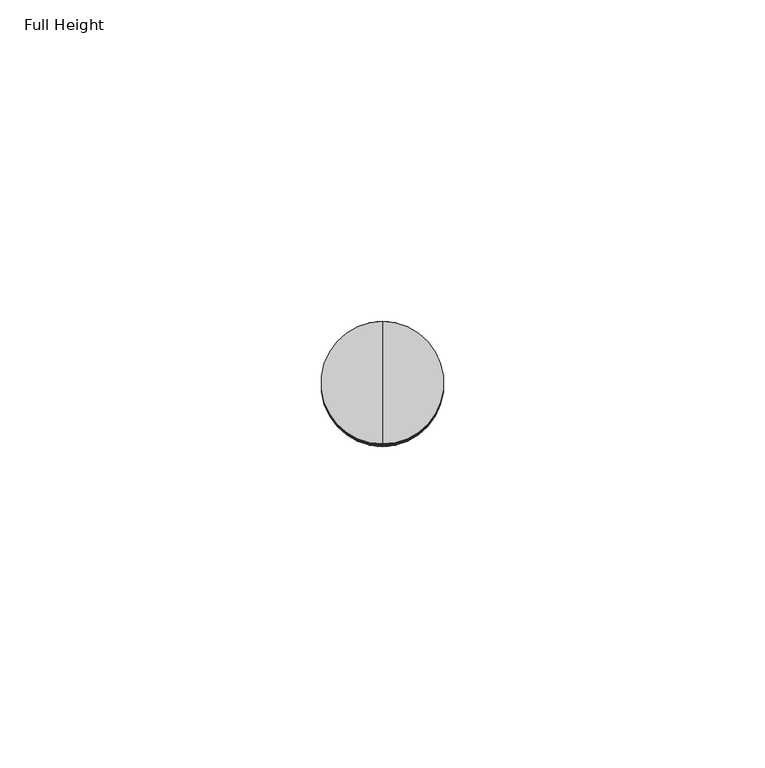
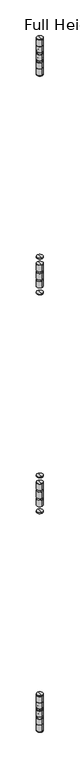
"""IFC4 building model written with IfcOpenShell, lengths in millimetres: plate geometry, Full Height."""

from ifc_helpers import new_model, si_unit, point, frame, origin, place, context, project, spatial, circle_curve, ellipse_curve, trimmed, source, transform, mapped, element, save
from ifc_brep_helpers import plane_surface, cylinder_surface, revolved_surface, advanced_brep


def full_height_004be091(model_context):
    return source(origin(), model_context, "Body", "AdvancedBrep", [
        advanced_brep(
        [(-465.836, 30.9626, 1093.0466667), (-465.836, 30.9626, 1095.0786667), (-465.836, 50.0126, 1095.0786667), (-465.836, 50.0126, 1093.0466667), (-465.836, 40.4876, 1093.0466667), (-465.836, 40.4876, 1095.0786667)],
        [
            (0, 1),
            (1, 2, circle_curve(frame((-465.836, 40.4876, 1095.0786667), z_axis=(0.0, 0.0, -1.0), x_axis=(0.0, 1.0, 0.0)), 9.525)),
            (2, 3),
            (3, 0, circle_curve(frame((-465.836, 40.4876, 1093.0466667), z_axis=(0.0, 0.0, 1.0), x_axis=(0.0, 1.0, 0.0)), 9.525)),
            (2, 1, circle_curve(frame((-465.836, 40.4876, 1095.0786667), z_axis=(0.0, 0.0, -1.0), x_axis=(0.0, 1.0, 0.0)), 9.525)),
            (0, 3, circle_curve(frame((-465.836, 40.4876, 1093.0466667), z_axis=(0.0, 0.0, 1.0), x_axis=(0.0, 1.0, 0.0)), 9.525)),
            (4, 0),
            (3, 4),
            (1, 5),
            (5, 2),
        ],
        [
            cylinder_surface(frame((-465.836, 40.4876, 1871.6413333), z_axis=(0.0, 0.0, -1.0), x_axis=(0.0, 1.0, 0.0)), 9.525),
            plane_surface(frame((-465.836, 40.4876, 1093.0466667), z_axis=(0.0, 0.0, -1.0), x_axis=(0.0, 1.0, 0.0))),
            plane_surface(frame((-465.836, 40.4876, 1095.0786667), z_axis=(0.0, 0.0, 1.0), x_axis=(0.0, 1.0, 0.0))),
        ],
        [
            (0, [[1, 2, 3, 4]]),
            (0, [[-3, 5, -1, 6]]),
            (1, [[7, -4, 8]]),
            (1, [[-8, -6, -7]]),
            (2, [[9, 10, -2]]),
            (2, [[-10, -9, -5]]),
        ],
    ),
        advanced_brep(
        [(-465.836, 30.9626, 1052.4066667), (-465.836, 30.9626, 1072.7266667), (-465.836, 50.0126, 1072.7266667), (-465.836, 50.0126, 1052.4066667), (-465.836, 40.4876, 1052.4066667), (-465.836, 40.4876, 1072.7266667)],
        [
            (0, 1),
            (1, 2, circle_curve(frame((-465.836, 40.4876, 1072.7266667), z_axis=(0.0, 0.0, -1.0), x_axis=(0.0, 1.0, 0.0)), 9.525)),
            (2, 3),
            (3, 0, circle_curve(frame((-465.836, 40.4876, 1052.4066667), z_axis=(0.0, 0.0, 1.0), x_axis=(0.0, 1.0, 0.0)), 9.525)),
            (2, 1, circle_curve(frame((-465.836, 40.4876, 1072.7266667), z_axis=(0.0, 0.0, -1.0), x_axis=(0.0, 1.0, 0.0)), 9.525)),
            (0, 3, circle_curve(frame((-465.836, 40.4876, 1052.4066667), z_axis=(0.0, 0.0, 1.0), x_axis=(0.0, 1.0, 0.0)), 9.525)),
            (4, 0),
            (3, 4),
            (1, 5),
            (5, 2),
        ],
        [
            cylinder_surface(frame((-465.836, 40.4876, 1871.6413333), z_axis=(0.0, 0.0, -1.0), x_axis=(0.0, 1.0, 0.0)), 9.525),
            plane_surface(frame((-465.836, 40.4876, 1052.4066667), z_axis=(0.0, 0.0, -1.0), x_axis=(0.0, 1.0, 0.0))),
            plane_surface(frame((-465.836, 40.4876, 1072.7266667), z_axis=(0.0, 0.0, 1.0), x_axis=(0.0, 1.0, 0.0))),
        ],
        [
            (0, [[1, 2, 3, 4]]),
            (0, [[-3, 5, -1, 6]]),
            (1, [[7, -4, 8]]),
            (1, [[-8, -6, -7]]),
            (2, [[9, 10, -2]]),
            (2, [[-10, -9, -5]]),
        ],
    ),
        advanced_brep(
        [(-465.836, 30.9626, 1025.7366667), (-465.836, 30.9626, 1046.0566667), (-465.836, 50.0126, 1046.0566667), (-465.836, 50.0126, 1025.7366667), (-465.836, 40.4876, 1025.7366667), (-465.836, 40.4876, 1046.0566667)],
        [
            (0, 1),
            (1, 2, circle_curve(frame((-465.836, 40.4876, 1046.0566667), z_axis=(0.0, 0.0, -1.0), x_axis=(0.0, 1.0, 0.0)), 9.525)),
            (2, 3),
            (3, 0, circle_curve(frame((-465.836, 40.4876, 1025.7366667), z_axis=(0.0, 0.0, 1.0), x_axis=(0.0, 1.0, 0.0)), 9.525)),
            (2, 1, circle_curve(frame((-465.836, 40.4876, 1046.0566667), z_axis=(0.0, 0.0, -1.0), x_axis=(0.0, 1.0, 0.0)), 9.525)),
            (0, 3, circle_curve(frame((-465.836, 40.4876, 1025.7366667), z_axis=(0.0, 0.0, 1.0), x_axis=(0.0, 1.0, 0.0)), 9.525)),
            (4, 0),
            (3, 4),
            (1, 5),
            (5, 2),
        ],
        [
            cylinder_surface(frame((-465.836, 40.4876, 1871.6413333), z_axis=(0.0, 0.0, -1.0), x_axis=(0.0, 1.0, 0.0)), 9.525),
            plane_surface(frame((-465.836, 40.4876, 1025.7366667), z_axis=(0.0, 0.0, -1.0), x_axis=(0.0, 1.0, 0.0))),
            plane_surface(frame((-465.836, 40.4876, 1046.0566667), z_axis=(0.0, 0.0, 1.0), x_axis=(0.0, 1.0, 0.0))),
        ],
        [
            (0, [[1, 2, 3, 4]]),
            (0, [[-3, 5, -1, 6]]),
            (1, [[7, -4, 8]]),
            (1, [[-8, -6, -7]]),
            (2, [[9, 10, -2]]),
            (2, [[-10, -9, -5]]),
        ],
    ),
        advanced_brep(
        [(-465.836, 30.9626, 1019.3866667), (-465.836, 40.4876, 1019.3866667), (-465.836, 50.0126, 1019.3866667), (-465.836, 30.9626, 999.0666667), (-465.836, 50.0126, 999.0666667), (-465.836, 40.4876, 999.0666667)],
        [
            (0, 1),
            (1, 2),
            (2, 0, circle_curve(frame((-465.836, 40.4876, 1019.3866667), z_axis=(0.0, 0.0, 1.0), x_axis=(0.0, 1.0, 0.0)), 9.525)),
            (0, 2, circle_curve(frame((-465.836, 40.4876, 1019.3866667), z_axis=(0.0, 0.0, 1.0), x_axis=(0.0, 1.0, 0.0)), 9.525)),
            (3, 0),
            (2, 4),
            (4, 3, circle_curve(frame((-465.836, 40.4876, 999.0666667), z_axis=(0.0, 0.0, 1.0), x_axis=(0.0, 1.0, 0.0)), 9.525)),
            (3, 4, circle_curve(frame((-465.836, 40.4876, 999.0666667), z_axis=(0.0, 0.0, 1.0), x_axis=(0.0, 1.0, 0.0)), 9.525)),
            (5, 3),
            (4, 5),
        ],
        [
            plane_surface(frame((-465.836, 40.4876, 1019.3866667), z_axis=(0.0, 0.0, 1.0), x_axis=(0.0, 1.0, 0.0))),
            cylinder_surface(frame((-465.836, 40.4876, 1871.6413333), z_axis=(0.0, 0.0, -1.0), x_axis=(0.0, 1.0, 0.0)), 9.525),
            plane_surface(frame((-465.836, 40.4876, 999.0666667), z_axis=(0.0, 0.0, -1.0), x_axis=(0.0, 1.0, 0.0))),
        ],
        [
            (0, [[1, 2, 3]]),
            (0, [[-2, -1, 4]]),
            (1, [[5, -3, 6, 7]]),
            (1, [[-6, -4, -5, 8]]),
            (2, [[9, -7, 10]]),
            (2, [[-10, -8, -9]]),
        ],
    ),
        advanced_brep(
        [(-465.836, 30.9626, 976.7146667), (-465.836, 30.9626, 978.7466667), (-465.836, 50.0126, 978.7466667), (-465.836, 50.0126, 976.7146667), (-465.836, 40.4876, 976.7146667), (-465.836, 40.4876, 978.7466667)],
        [
            (0, 1),
            (1, 2, circle_curve(frame((-465.836, 40.4876, 978.7466667), z_axis=(0.0, 0.0, -1.0), x_axis=(0.0, 1.0, 0.0)), 9.525)),
            (2, 3),
            (3, 0, circle_curve(frame((-465.836, 40.4876, 976.7146667), z_axis=(0.0, 0.0, 1.0), x_axis=(0.0, 1.0, 0.0)), 9.525)),
            (2, 1, circle_curve(frame((-465.836, 40.4876, 978.7466667), z_axis=(0.0, 0.0, -1.0), x_axis=(0.0, 1.0, 0.0)), 9.525)),
            (0, 3, circle_curve(frame((-465.836, 40.4876, 976.7146667), z_axis=(0.0, 0.0, 1.0), x_axis=(0.0, 1.0, 0.0)), 9.525)),
            (4, 0),
            (3, 4),
            (1, 5),
            (5, 2),
        ],
        [
            cylinder_surface(frame((-465.836, 40.4876, 1871.6413333), z_axis=(0.0, 0.0, -1.0), x_axis=(0.0, 1.0, 0.0)), 9.525),
            plane_surface(frame((-465.836, 40.4876, 976.7146667), z_axis=(0.0, 0.0, -1.0), x_axis=(0.0, 1.0, 0.0))),
            plane_surface(frame((-465.836, 40.4876, 978.7466667), z_axis=(0.0, 0.0, 1.0), x_axis=(0.0, 1.0, 0.0))),
        ],
        [
            (0, [[1, 2, 3, 4]]),
            (0, [[-3, 5, -1, 6]]),
            (1, [[7, -4, 8]]),
            (1, [[-8, -6, -7]]),
            (2, [[9, 10, -2]]),
            (2, [[-10, -9, -5]]),
        ],
    ),
        advanced_brep(
        [(-465.836, 30.9626, 1805.0933333), (-465.836, 30.9626, 1807.1253333), (-465.836, 50.0126, 1807.1253333), (-465.836, 50.0126, 1805.0933333), (-465.836, 40.4876, 1805.0933333), (-465.836, 40.4876, 1807.1253333)],
        [
            (0, 1),
            (1, 2, circle_curve(frame((-465.836, 40.4876, 1807.1253333), z_axis=(0.0, 0.0, -1.0), x_axis=(0.0, 1.0, 0.0)), 9.525)),
            (2, 3),
            (3, 0, circle_curve(frame((-465.836, 40.4876, 1805.0933333), z_axis=(0.0, 0.0, 1.0), x_axis=(0.0, 1.0, 0.0)), 9.525)),
            (2, 1, circle_curve(frame((-465.836, 40.4876, 1807.1253333), z_axis=(0.0, 0.0, -1.0), x_axis=(0.0, 1.0, 0.0)), 9.525)),
            (0, 3, circle_curve(frame((-465.836, 40.4876, 1805.0933333), z_axis=(0.0, 0.0, 1.0), x_axis=(0.0, 1.0, 0.0)), 9.525)),
            (4, 0),
            (3, 4),
            (1, 5),
            (5, 2),
        ],
        [
            cylinder_surface(frame((-465.836, 40.4876, 1871.6413333), z_axis=(0.0, 0.0, -1.0), x_axis=(0.0, 1.0, 0.0)), 9.525),
            plane_surface(frame((-465.836, 40.4876, 1805.0933333), z_axis=(0.0, 0.0, -1.0), x_axis=(0.0, 1.0, 0.0))),
            plane_surface(frame((-465.836, 40.4876, 1807.1253333), z_axis=(0.0, 0.0, 1.0), x_axis=(0.0, 1.0, 0.0))),
        ],
        [
            (0, [[1, 2, 3, 4]]),
            (0, [[-3, 5, -1, 6]]),
            (1, [[7, -4, 8]]),
            (1, [[-8, -6, -7]]),
            (2, [[9, 10, -2]]),
            (2, [[-10, -9, -5]]),
        ],
    ),
        advanced_brep(
        [(-465.836, 30.9626, 1764.4533333), (-465.836, 30.9626, 1784.7733333), (-465.836, 50.0126, 1784.7733333), (-465.836, 50.0126, 1764.4533333), (-465.836, 40.4876, 1764.4533333), (-465.836, 40.4876, 1784.7733333)],
        [
            (0, 1),
            (1, 2, circle_curve(frame((-465.836, 40.4876, 1784.7733333), z_axis=(0.0, 0.0, -1.0), x_axis=(0.0, 1.0, 0.0)), 9.525)),
            (2, 3),
            (3, 0, circle_curve(frame((-465.836, 40.4876, 1764.4533333), z_axis=(0.0, 0.0, 1.0), x_axis=(0.0, 1.0, 0.0)), 9.525)),
            (2, 1, circle_curve(frame((-465.836, 40.4876, 1784.7733333), z_axis=(0.0, 0.0, -1.0), x_axis=(0.0, 1.0, 0.0)), 9.525)),
            (0, 3, circle_curve(frame((-465.836, 40.4876, 1764.4533333), z_axis=(0.0, 0.0, 1.0), x_axis=(0.0, 1.0, 0.0)), 9.525)),
            (4, 0),
            (3, 4),
            (1, 5),
            (5, 2),
        ],
        [
            cylinder_surface(frame((-465.836, 40.4876, 1871.6413333), z_axis=(0.0, 0.0, -1.0), x_axis=(0.0, 1.0, 0.0)), 9.525),
            plane_surface(frame((-465.836, 40.4876, 1764.4533333), z_axis=(0.0, 0.0, -1.0), x_axis=(0.0, 1.0, 0.0))),
            plane_surface(frame((-465.836, 40.4876, 1784.7733333), z_axis=(0.0, 0.0, 1.0), x_axis=(0.0, 1.0, 0.0))),
        ],
        [
            (0, [[1, 2, 3, 4]]),
            (0, [[-3, 5, -1, 6]]),
            (1, [[7, -4, 8]]),
            (1, [[-8, -6, -7]]),
            (2, [[9, 10, -2]]),
            (2, [[-10, -9, -5]]),
        ],
    ),
        advanced_brep(
        [(-465.836, 30.9626, 1737.7833333), (-465.836, 30.9626, 1758.1033333), (-465.836, 50.0126, 1758.1033333), (-465.836, 50.0126, 1737.7833333), (-465.836, 40.4876, 1737.7833333), (-465.836, 40.4876, 1758.1033333)],
        [
            (0, 1),
            (1, 2, circle_curve(frame((-465.836, 40.4876, 1758.1033333), z_axis=(0.0, 0.0, -1.0), x_axis=(0.0, 1.0, 0.0)), 9.525)),
            (2, 3),
            (3, 0, circle_curve(frame((-465.836, 40.4876, 1737.7833333), z_axis=(0.0, 0.0, 1.0), x_axis=(0.0, 1.0, 0.0)), 9.525)),
            (2, 1, circle_curve(frame((-465.836, 40.4876, 1758.1033333), z_axis=(0.0, 0.0, -1.0), x_axis=(0.0, 1.0, 0.0)), 9.525)),
            (0, 3, circle_curve(frame((-465.836, 40.4876, 1737.7833333), z_axis=(0.0, 0.0, 1.0), x_axis=(0.0, 1.0, 0.0)), 9.525)),
            (4, 0),
            (3, 4),
            (1, 5),
            (5, 2),
        ],
        [
            cylinder_surface(frame((-465.836, 40.4876, 1871.6413333), z_axis=(0.0, 0.0, -1.0), x_axis=(0.0, 1.0, 0.0)), 9.525),
            plane_surface(frame((-465.836, 40.4876, 1737.7833333), z_axis=(0.0, 0.0, -1.0), x_axis=(0.0, 1.0, 0.0))),
            plane_surface(frame((-465.836, 40.4876, 1758.1033333), z_axis=(0.0, 0.0, 1.0), x_axis=(0.0, 1.0, 0.0))),
        ],
        [
            (0, [[1, 2, 3, 4]]),
            (0, [[-3, 5, -1, 6]]),
            (1, [[7, -4, 8]]),
            (1, [[-8, -6, -7]]),
            (2, [[9, 10, -2]]),
            (2, [[-10, -9, -5]]),
        ],
    ),
        advanced_brep(
        [(-465.836, 30.9626, 1711.1133333), (-465.836, 30.9626, 1731.4333333), (-465.836, 50.0126, 1731.4333333), (-465.836, 50.0126, 1711.1133333), (-465.836, 40.4876, 1711.1133333), (-465.836, 40.4876, 1731.4333333)],
        [
            (0, 1),
            (1, 2, circle_curve(frame((-465.836, 40.4876, 1731.4333333), z_axis=(0.0, 0.0, -1.0), x_axis=(0.0, 1.0, 0.0)), 9.525)),
            (2, 3),
            (3, 0, circle_curve(frame((-465.836, 40.4876, 1711.1133333), z_axis=(0.0, 0.0, 1.0), x_axis=(0.0, 1.0, 0.0)), 9.525)),
            (2, 1, circle_curve(frame((-465.836, 40.4876, 1731.4333333), z_axis=(0.0, 0.0, -1.0), x_axis=(0.0, 1.0, 0.0)), 9.525)),
            (0, 3, circle_curve(frame((-465.836, 40.4876, 1711.1133333), z_axis=(0.0, 0.0, 1.0), x_axis=(0.0, 1.0, 0.0)), 9.525)),
            (4, 0),
            (3, 4),
            (1, 5),
            (5, 2),
        ],
        [
            cylinder_surface(frame((-465.836, 40.4876, 1871.6413333), z_axis=(0.0, 0.0, -1.0), x_axis=(0.0, 1.0, 0.0)), 9.525),
            plane_surface(frame((-465.836, 40.4876, 1711.1133333), z_axis=(0.0, 0.0, -1.0), x_axis=(0.0, 1.0, 0.0))),
            plane_surface(frame((-465.836, 40.4876, 1731.4333333), z_axis=(0.0, 0.0, 1.0), x_axis=(0.0, 1.0, 0.0))),
        ],
        [
            (0, [[1, 2, 3, 4]]),
            (0, [[-3, 5, -1, 6]]),
            (1, [[7, -4, 8]]),
            (1, [[-8, -6, -7]]),
            (2, [[9, 10, -2]]),
            (2, [[-10, -9, -5]]),
        ],
    ),
        advanced_brep(
        [(-465.836, 40.4876, 1688.7613333), (-465.836, 30.9626, 1688.7613333), (-465.836, 50.0126, 1688.7613333), (-465.836, 30.9626, 1690.7933333), (-465.836, 40.4876, 1690.7933333), (-465.836, 50.0126, 1690.7933333)],
        [
            (0, 1),
            (1, 2, circle_curve(frame((-465.836, 40.4876, 1688.7613333), z_axis=(0.0, 0.0, -1.0), x_axis=(0.0, 1.0, 0.0)), 9.525)),
            (2, 0),
            (2, 1, circle_curve(frame((-465.836, 40.4876, 1688.7613333), z_axis=(0.0, 0.0, -1.0), x_axis=(0.0, 1.0, 0.0)), 9.525)),
            (3, 4),
            (4, 5),
            (5, 3, circle_curve(frame((-465.836, 40.4876, 1690.7933333), z_axis=(0.0, 0.0, 1.0), x_axis=(0.0, 1.0, 0.0)), 9.525)),
            (3, 5, circle_curve(frame((-465.836, 40.4876, 1690.7933333), z_axis=(0.0, 0.0, 1.0), x_axis=(0.0, 1.0, 0.0)), 9.525)),
            (1, 3),
            (5, 2),
        ],
        [
            plane_surface(frame((-465.836, 40.4876, 1688.7613333), z_axis=(0.0, 0.0, -1.0), x_axis=(0.0, 1.0, 0.0))),
            plane_surface(frame((-465.836, 40.4876, 1690.7933333), z_axis=(0.0, 0.0, 1.0), x_axis=(0.0, 1.0, 0.0))),
            cylinder_surface(frame((-465.836, 40.4876, 1871.6413333), z_axis=(0.0, 0.0, -1.0), x_axis=(0.0, 1.0, 0.0)), 9.525),
        ],
        [
            (0, [[1, 2, 3]]),
            (0, [[-3, 4, -1]]),
            (1, [[5, 6, 7]]),
            (1, [[-6, -5, 8]]),
            (2, [[9, -7, 10, -2]]),
            (2, [[-10, -8, -9, -4]]),
        ],
    ),
        advanced_brep(
        [(-465.836, 30.9626, 334.518), (-465.836, 30.9626, 339.852), (-465.836, 50.0126, 339.852), (-465.836, 50.0126, 334.518), (-465.836, 40.4876, 334.01), (-465.836, 31.4706, 334.01), (-465.836, 49.5046, 334.01), (-465.836, 31.4706, 340.36), (-465.836, 40.4876, 340.36), (-465.836, 49.5046, 340.36)],
        [
            (0, 1),
            (1, 2, circle_curve(frame((-465.836, 40.4876, 339.852), z_axis=(0.0, 0.0, -1.0), x_axis=(0.0, 1.0, 0.0)), 9.525)),
            (2, 3),
            (3, 0, circle_curve(frame((-465.836, 40.4876, 334.518), z_axis=(0.0, 0.0, 1.0), x_axis=(0.0, 1.0, 0.0)), 9.525)),
            (2, 1, circle_curve(frame((-465.836, 40.4876, 339.852), z_axis=(0.0, 0.0, -1.0), x_axis=(0.0, 1.0, 0.0)), 9.525)),
            (0, 3, circle_curve(frame((-465.836, 40.4876, 334.518), z_axis=(0.0, 0.0, 1.0), x_axis=(0.0, 1.0, 0.0)), 9.525)),
            (4, 5),
            (5, 6, circle_curve(frame((-465.836, 40.4876, 334.01), z_axis=(0.0, 0.0, -1.0), x_axis=(0.0, 1.0, 0.0)), 9.017)),
            (6, 4),
            (6, 5, circle_curve(frame((-465.836, 40.4876, 334.01), z_axis=(0.0, 0.0, -1.0), x_axis=(0.0, 1.0, 0.0)), 9.017)),
            (7, 8),
            (8, 9),
            (9, 7, circle_curve(frame((-465.836, 40.4876, 340.36), z_axis=(0.0, 0.0, 1.0), x_axis=(0.0, 1.0, 0.0)), 9.017)),
            (7, 9, circle_curve(frame((-465.836, 40.4876, 340.36), z_axis=(0.0, 0.0, 1.0), x_axis=(0.0, 1.0, 0.0)), 9.017)),
            (1, 7, circle_curve(frame((-465.836, 31.4706, 339.852), z_axis=(-1.0, 0.0, 0.0), x_axis=(0.0, 1.0, 0.0)), 0.508)),
            (9, 2, circle_curve(frame((-465.836, 49.5046, 339.852), z_axis=(-1.0, 0.0, 0.0), x_axis=(0.0, -1.0, 0.0)), 0.508)),
            (5, 0, circle_curve(frame((-465.836, 31.4706, 334.518), z_axis=(-1.0, 0.0, 0.0), x_axis=(0.0, 1.0, 0.0)), 0.508)),
            (3, 6, circle_curve(frame((-465.836, 49.5046, 334.518), z_axis=(-1.0, 0.0, 0.0), x_axis=(0.0, -1.0, 0.0)), 0.508)),
        ],
        [
            cylinder_surface(frame((-465.836, 40.4876, 2533.65), z_axis=(0.0, 0.0, -1.0), x_axis=(0.0, 1.0, 0.0)), 9.525),
            plane_surface(frame((-465.836, 40.4876, 334.01), z_axis=(0.0, 0.0, -1.0), x_axis=(0.0, 1.0, 0.0))),
            plane_surface(frame((-465.836, 40.4876, 340.36), z_axis=(0.0, 0.0, 1.0), x_axis=(0.0, 1.0, 0.0))),
            revolved_surface(trimmed(ellipse_curve(frame((-465.836, 49.5046, 339.852), z_axis=(-1.0, 0.0, 0.0), x_axis=(0.0, -1.0, 0.0)), 0.508, 0.508), [point((-465.836, 49.5046, 340.36))], [point((-465.836, 50.0126, 339.852))], True, "CARTESIAN"), (-465.836, 40.4876, 2533.65), (0.0, 0.0, -1.0)),
            revolved_surface(trimmed(ellipse_curve(frame((-465.836, 49.5046, 334.518), z_axis=(-1.0, 0.0, 0.0), x_axis=(0.0, -1.0, 0.0)), 0.508, 0.508), [point((-465.836, 50.0126, 334.518))], [point((-465.836, 49.5046, 334.01))], True, "CARTESIAN"), (-465.836, 40.4876, 2533.65), (0.0, 0.0, -1.0)),
        ],
        [
            (0, [[1, 2, 3, 4]]),
            (0, [[-3, 5, -1, 6]]),
            (1, [[7, 8, 9]]),
            (1, [[-9, 10, -7]]),
            (2, [[11, 12, 13]]),
            (2, [[-12, -11, 14]]),
            (3, [[15, -13, 16, -2]]),
            (3, [[-16, -14, -15, -5]]),
            (4, [[17, -4, 18, -8]]),
            (4, [[-18, -6, -17, -10]]),
        ],
    ),
        advanced_brep(
        [(-465.836, 30.9626, 307.848), (-465.836, 30.9626, 313.182), (-465.836, 50.0126, 313.182), (-465.836, 50.0126, 307.848), (-465.836, 40.4876, 307.34), (-465.836, 31.4706, 307.34), (-465.836, 49.5046, 307.34), (-465.836, 31.4706, 313.69), (-465.836, 40.4876, 313.69), (-465.836, 49.5046, 313.69)],
        [
            (0, 1),
            (1, 2, circle_curve(frame((-465.836, 40.4876, 313.182), z_axis=(0.0, 0.0, -1.0), x_axis=(0.0, 1.0, 0.0)), 9.525)),
            (2, 3),
            (3, 0, circle_curve(frame((-465.836, 40.4876, 307.848), z_axis=(0.0, 0.0, 1.0), x_axis=(0.0, 1.0, 0.0)), 9.525)),
            (2, 1, circle_curve(frame((-465.836, 40.4876, 313.182), z_axis=(0.0, 0.0, -1.0), x_axis=(0.0, 1.0, 0.0)), 9.525)),
            (0, 3, circle_curve(frame((-465.836, 40.4876, 307.848), z_axis=(0.0, 0.0, 1.0), x_axis=(0.0, 1.0, 0.0)), 9.525)),
            (4, 5),
            (5, 6, circle_curve(frame((-465.836, 40.4876, 307.34), z_axis=(0.0, 0.0, -1.0), x_axis=(0.0, 1.0, 0.0)), 9.017)),
            (6, 4),
            (6, 5, circle_curve(frame((-465.836, 40.4876, 307.34), z_axis=(0.0, 0.0, -1.0), x_axis=(0.0, 1.0, 0.0)), 9.017)),
            (7, 8),
            (8, 9),
            (9, 7, circle_curve(frame((-465.836, 40.4876, 313.69), z_axis=(0.0, 0.0, 1.0), x_axis=(0.0, 1.0, 0.0)), 9.017)),
            (7, 9, circle_curve(frame((-465.836, 40.4876, 313.69), z_axis=(0.0, 0.0, 1.0), x_axis=(0.0, 1.0, 0.0)), 9.017)),
            (1, 7, circle_curve(frame((-465.836, 31.4706, 313.182), z_axis=(-1.0, 0.0, 0.0), x_axis=(0.0, 1.0, 0.0)), 0.508)),
            (9, 2, circle_curve(frame((-465.836, 49.5046, 313.182), z_axis=(-1.0, 0.0, 0.0), x_axis=(0.0, -1.0, 0.0)), 0.508)),
            (5, 0, circle_curve(frame((-465.836, 31.4706, 307.848), z_axis=(-1.0, 0.0, 0.0), x_axis=(0.0, 1.0, 0.0)), 0.508)),
            (3, 6, circle_curve(frame((-465.836, 49.5046, 307.848), z_axis=(-1.0, 0.0, 0.0), x_axis=(0.0, -1.0, 0.0)), 0.508)),
        ],
        [
            cylinder_surface(frame((-465.836, 40.4876, 2533.65), z_axis=(0.0, 0.0, -1.0), x_axis=(0.0, 1.0, 0.0)), 9.525),
            plane_surface(frame((-465.836, 40.4876, 307.34), z_axis=(0.0, 0.0, -1.0), x_axis=(0.0, 1.0, 0.0))),
            plane_surface(frame((-465.836, 40.4876, 313.69), z_axis=(0.0, 0.0, 1.0), x_axis=(0.0, 1.0, 0.0))),
            revolved_surface(trimmed(ellipse_curve(frame((-465.836, 49.5046, 313.182), z_axis=(-1.0, 0.0, 0.0), x_axis=(0.0, -1.0, 0.0)), 0.508, 0.508), [point((-465.836, 49.5046, 313.69))], [point((-465.836, 50.0126, 313.182))], True, "CARTESIAN"), (-465.836, 40.4876, 2533.65), (0.0, 0.0, -1.0)),
            revolved_surface(trimmed(ellipse_curve(frame((-465.836, 49.5046, 307.848), z_axis=(-1.0, 0.0, 0.0), x_axis=(0.0, -1.0, 0.0)), 0.508, 0.508), [point((-465.836, 50.0126, 307.848))], [point((-465.836, 49.5046, 307.34))], True, "CARTESIAN"), (-465.836, 40.4876, 2533.65), (0.0, 0.0, -1.0)),
        ],
        [
            (0, [[1, 2, 3, 4]]),
            (0, [[-3, 5, -1, 6]]),
            (1, [[7, 8, 9]]),
            (1, [[-9, 10, -7]]),
            (2, [[11, 12, 13]]),
            (2, [[-12, -11, 14]]),
            (3, [[15, -13, 16, -2]]),
            (3, [[-16, -14, -15, -5]]),
            (4, [[17, -4, 18, -8]]),
            (4, [[-18, -6, -17, -10]]),
        ],
    ),
        advanced_brep(
        [(-465.836, 30.9626, 2470.658), (-465.836, 30.9626, 2475.992), (-465.836, 50.0126, 2475.992), (-465.836, 50.0126, 2470.658), (-465.836, 40.4876, 2470.15), (-465.836, 31.4706, 2470.15), (-465.836, 49.5046, 2470.15), (-465.836, 31.4706, 2476.5), (-465.836, 40.4876, 2476.5), (-465.836, 49.5046, 2476.5)],
        [
            (0, 1),
            (1, 2, circle_curve(frame((-465.836, 40.4876, 2475.992), z_axis=(0.0, 0.0, -1.0), x_axis=(0.0, 1.0, 0.0)), 9.525)),
            (2, 3),
            (3, 0, circle_curve(frame((-465.836, 40.4876, 2470.658), z_axis=(0.0, 0.0, 1.0), x_axis=(0.0, 1.0, 0.0)), 9.525)),
            (2, 1, circle_curve(frame((-465.836, 40.4876, 2475.992), z_axis=(0.0, 0.0, -1.0), x_axis=(0.0, 1.0, 0.0)), 9.525)),
            (0, 3, circle_curve(frame((-465.836, 40.4876, 2470.658), z_axis=(0.0, 0.0, 1.0), x_axis=(0.0, 1.0, 0.0)), 9.525)),
            (4, 5),
            (5, 6, circle_curve(frame((-465.836, 40.4876, 2470.15), z_axis=(0.0, 0.0, -1.0), x_axis=(0.0, 1.0, 0.0)), 9.017)),
            (6, 4),
            (6, 5, circle_curve(frame((-465.836, 40.4876, 2470.15), z_axis=(0.0, 0.0, -1.0), x_axis=(0.0, 1.0, 0.0)), 9.017)),
            (7, 8),
            (8, 9),
            (9, 7, circle_curve(frame((-465.836, 40.4876, 2476.5), z_axis=(0.0, 0.0, 1.0), x_axis=(0.0, 1.0, 0.0)), 9.017)),
            (7, 9, circle_curve(frame((-465.836, 40.4876, 2476.5), z_axis=(0.0, 0.0, 1.0), x_axis=(0.0, 1.0, 0.0)), 9.017)),
            (1, 7, circle_curve(frame((-465.836, 31.4706, 2475.992), z_axis=(-1.0, 0.0, 0.0), x_axis=(0.0, 1.0, 0.0)), 0.508)),
            (9, 2, circle_curve(frame((-465.836, 49.5046, 2475.992), z_axis=(-1.0, 0.0, 0.0), x_axis=(0.0, -1.0, 0.0)), 0.508)),
            (5, 0, circle_curve(frame((-465.836, 31.4706, 2470.658), z_axis=(-1.0, 0.0, 0.0), x_axis=(0.0, 1.0, 0.0)), 0.508)),
            (3, 6, circle_curve(frame((-465.836, 49.5046, 2470.658), z_axis=(-1.0, 0.0, 0.0), x_axis=(0.0, -1.0, 0.0)), 0.508)),
        ],
        [
            cylinder_surface(frame((-465.836, 40.4876, 2533.65), z_axis=(0.0, 0.0, -1.0), x_axis=(0.0, 1.0, 0.0)), 9.525),
            plane_surface(frame((-465.836, 40.4876, 2470.15), z_axis=(0.0, 0.0, -1.0), x_axis=(0.0, 1.0, 0.0))),
            plane_surface(frame((-465.836, 40.4876, 2476.5), z_axis=(0.0, 0.0, 1.0), x_axis=(0.0, 1.0, 0.0))),
            revolved_surface(trimmed(ellipse_curve(frame((-465.836, 49.5046, 2475.992), z_axis=(-1.0, 0.0, 0.0), x_axis=(0.0, -1.0, 0.0)), 0.508, 0.508), [point((-465.836, 49.5046, 2476.5))], [point((-465.836, 50.0126, 2475.992))], True, "CARTESIAN"), (-465.836, 40.4876, 2533.65), (0.0, 0.0, -1.0)),
            revolved_surface(trimmed(ellipse_curve(frame((-465.836, 49.5046, 2470.658), z_axis=(-1.0, 0.0, 0.0), x_axis=(0.0, -1.0, 0.0)), 0.508, 0.508), [point((-465.836, 50.0126, 2470.658))], [point((-465.836, 49.5046, 2470.15))], True, "CARTESIAN"), (-465.836, 40.4876, 2533.65), (0.0, 0.0, -1.0)),
        ],
        [
            (0, [[1, 2, 3, 4]]),
            (0, [[-3, 5, -1, 6]]),
            (1, [[7, 8, 9]]),
            (1, [[-9, 10, -7]]),
            (2, [[11, 12, 13]]),
            (2, [[-12, -11, 14]]),
            (3, [[15, -13, 16, -2]]),
            (3, [[-16, -14, -15, -5]]),
            (4, [[17, -4, 18, -8]]),
            (4, [[-18, -6, -17, -10]]),
        ],
    ),
        advanced_brep(
        [(-465.836, 30.9626, 2443.988), (-465.836, 30.9626, 2449.322), (-465.836, 50.0126, 2449.322), (-465.836, 50.0126, 2443.988), (-465.836, 40.4876, 2443.48), (-465.836, 31.4706, 2443.48), (-465.836, 49.5046, 2443.48), (-465.836, 31.4706, 2449.83), (-465.836, 40.4876, 2449.83), (-465.836, 49.5046, 2449.83)],
        [
            (0, 1),
            (1, 2, circle_curve(frame((-465.836, 40.4876, 2449.322), z_axis=(0.0, 0.0, -1.0), x_axis=(0.0, 1.0, 0.0)), 9.525)),
            (2, 3),
            (3, 0, circle_curve(frame((-465.836, 40.4876, 2443.988), z_axis=(0.0, 0.0, 1.0), x_axis=(0.0, 1.0, 0.0)), 9.525)),
            (2, 1, circle_curve(frame((-465.836, 40.4876, 2449.322), z_axis=(0.0, 0.0, -1.0), x_axis=(0.0, 1.0, 0.0)), 9.525)),
            (0, 3, circle_curve(frame((-465.836, 40.4876, 2443.988), z_axis=(0.0, 0.0, 1.0), x_axis=(0.0, 1.0, 0.0)), 9.525)),
            (4, 5),
            (5, 6, circle_curve(frame((-465.836, 40.4876, 2443.48), z_axis=(0.0, 0.0, -1.0), x_axis=(0.0, 1.0, 0.0)), 9.017)),
            (6, 4),
            (6, 5, circle_curve(frame((-465.836, 40.4876, 2443.48), z_axis=(0.0, 0.0, -1.0), x_axis=(0.0, 1.0, 0.0)), 9.017)),
            (7, 8),
            (8, 9),
            (9, 7, circle_curve(frame((-465.836, 40.4876, 2449.83), z_axis=(0.0, 0.0, 1.0), x_axis=(0.0, 1.0, 0.0)), 9.017)),
            (7, 9, circle_curve(frame((-465.836, 40.4876, 2449.83), z_axis=(0.0, 0.0, 1.0), x_axis=(0.0, 1.0, 0.0)), 9.017)),
            (1, 7, circle_curve(frame((-465.836, 31.4706, 2449.322), z_axis=(-1.0, 0.0, 0.0), x_axis=(0.0, 1.0, 0.0)), 0.508)),
            (9, 2, circle_curve(frame((-465.836, 49.5046, 2449.322), z_axis=(-1.0, 0.0, 0.0), x_axis=(0.0, -1.0, 0.0)), 0.508)),
            (5, 0, circle_curve(frame((-465.836, 31.4706, 2443.988), z_axis=(-1.0, 0.0, 0.0), x_axis=(0.0, 1.0, 0.0)), 0.508)),
            (3, 6, circle_curve(frame((-465.836, 49.5046, 2443.988), z_axis=(-1.0, 0.0, 0.0), x_axis=(0.0, -1.0, 0.0)), 0.508)),
        ],
        [
            cylinder_surface(frame((-465.836, 40.4876, 2533.65), z_axis=(0.0, 0.0, -1.0), x_axis=(0.0, 1.0, 0.0)), 9.525),
            plane_surface(frame((-465.836, 40.4876, 2443.48), z_axis=(0.0, 0.0, -1.0), x_axis=(0.0, 1.0, 0.0))),
            plane_surface(frame((-465.836, 40.4876, 2449.83), z_axis=(0.0, 0.0, 1.0), x_axis=(0.0, 1.0, 0.0))),
            revolved_surface(trimmed(ellipse_curve(frame((-465.836, 49.5046, 2449.322), z_axis=(-1.0, 0.0, 0.0), x_axis=(0.0, -1.0, 0.0)), 0.508, 0.508), [point((-465.836, 49.5046, 2449.83))], [point((-465.836, 50.0126, 2449.322))], True, "CARTESIAN"), (-465.836, 40.4876, 2533.65), (0.0, 0.0, -1.0)),
            revolved_surface(trimmed(ellipse_curve(frame((-465.836, 49.5046, 2443.988), z_axis=(-1.0, 0.0, 0.0), x_axis=(0.0, -1.0, 0.0)), 0.508, 0.508), [point((-465.836, 50.0126, 2443.988))], [point((-465.836, 49.5046, 2443.48))], True, "CARTESIAN"), (-465.836, 40.4876, 2533.65), (0.0, 0.0, -1.0)),
        ],
        [
            (0, [[1, 2, 3, 4]]),
            (0, [[-3, 5, -1, 6]]),
            (1, [[7, 8, 9]]),
            (1, [[-9, 10, -7]]),
            (2, [[11, 12, 13]]),
            (2, [[-12, -11, 14]]),
            (3, [[15, -13, 16, -2]]),
            (3, [[-16, -14, -15, -5]]),
            (4, [[17, -4, 18, -8]]),
            (4, [[-18, -6, -17, -10]]),
        ],
    ),
        advanced_brep(
        [(-465.836, 30.9626, 2496.82), (-465.836, 30.9626, 2517.14), (-465.836, 50.0126, 2517.14), (-465.836, 50.0126, 2496.82), (-465.836, 40.4876, 2496.82), (-465.836, 40.4876, 2517.14)],
        [
            (0, 1),
            (1, 2, circle_curve(frame((-465.836, 40.4876, 2517.14), z_axis=(0.0, 0.0, -1.0), x_axis=(0.0, 1.0, 0.0)), 9.525)),
            (2, 3),
            (3, 0, circle_curve(frame((-465.836, 40.4876, 2496.82), z_axis=(0.0, 0.0, 1.0), x_axis=(0.0, 1.0, 0.0)), 9.525)),
            (2, 1, circle_curve(frame((-465.836, 40.4876, 2517.14), z_axis=(0.0, 0.0, -1.0), x_axis=(0.0, 1.0, 0.0)), 9.525)),
            (0, 3, circle_curve(frame((-465.836, 40.4876, 2496.82), z_axis=(0.0, 0.0, 1.0), x_axis=(0.0, 1.0, 0.0)), 9.525)),
            (4, 0),
            (3, 4),
            (1, 5),
            (5, 2),
        ],
        [
            cylinder_surface(frame((-465.836, 40.4876, 139.7), z_axis=(0.0, 0.0, -1.0), x_axis=(0.0, 1.0, 0.0)), 9.525),
            plane_surface(frame((-465.836, 40.4876, 2496.82), z_axis=(0.0, 0.0, -1.0), x_axis=(0.0, 1.0, 0.0))),
            plane_surface(frame((-465.836, 40.4876, 2517.14), z_axis=(0.0, 0.0, 1.0), x_axis=(0.0, 1.0, 0.0))),
        ],
        [
            (0, [[1, 2, 3, 4]]),
            (0, [[-3, 5, -1, 6]]),
            (1, [[7, -4, 8]]),
            (1, [[-8, -6, -7]]),
            (2, [[9, 10, -2]]),
            (2, [[-10, -9, -5]]),
        ],
    ),
        advanced_brep(
        [(-465.836, 30.9626, 2449.83), (-465.836, 30.9626, 2470.15), (-465.836, 50.0126, 2470.15), (-465.836, 50.0126, 2449.83), (-465.836, 40.4876, 2449.83), (-465.836, 40.4876, 2470.15)],
        [
            (0, 1),
            (1, 2, circle_curve(frame((-465.836, 40.4876, 2470.15), z_axis=(0.0, 0.0, -1.0), x_axis=(0.0, 1.0, 0.0)), 9.525)),
            (2, 3),
            (3, 0, circle_curve(frame((-465.836, 40.4876, 2449.83), z_axis=(0.0, 0.0, 1.0), x_axis=(0.0, 1.0, 0.0)), 9.525)),
            (2, 1, circle_curve(frame((-465.836, 40.4876, 2470.15), z_axis=(0.0, 0.0, -1.0), x_axis=(0.0, 1.0, 0.0)), 9.525)),
            (0, 3, circle_curve(frame((-465.836, 40.4876, 2449.83), z_axis=(0.0, 0.0, 1.0), x_axis=(0.0, 1.0, 0.0)), 9.525)),
            (4, 0),
            (3, 4),
            (1, 5),
            (5, 2),
        ],
        [
            cylinder_surface(frame((-465.836, 40.4876, 139.7), z_axis=(0.0, 0.0, -1.0), x_axis=(0.0, 1.0, 0.0)), 9.525),
            plane_surface(frame((-465.836, 40.4876, 2449.83), z_axis=(0.0, 0.0, -1.0), x_axis=(0.0, 1.0, 0.0))),
            plane_surface(frame((-465.836, 40.4876, 2470.15), z_axis=(0.0, 0.0, 1.0), x_axis=(0.0, 1.0, 0.0))),
        ],
        [
            (0, [[1, 2, 3, 4]]),
            (0, [[-3, 5, -1, 6]]),
            (1, [[7, -4, 8]]),
            (1, [[-8, -6, -7]]),
            (2, [[9, 10, -2]]),
            (2, [[-10, -9, -5]]),
        ],
    ),
        advanced_brep(
        [(-465.836, 30.9626, 2402.84), (-465.836, 30.9626, 2423.16), (-465.836, 50.0126, 2423.16), (-465.836, 50.0126, 2402.84), (-465.836, 40.4876, 2402.84), (-465.836, 40.4876, 2423.16)],
        [
            (0, 1),
            (1, 2, circle_curve(frame((-465.836, 40.4876, 2423.16), z_axis=(0.0, 0.0, -1.0), x_axis=(0.0, 1.0, 0.0)), 9.525)),
            (2, 3),
            (3, 0, circle_curve(frame((-465.836, 40.4876, 2402.84), z_axis=(0.0, 0.0, 1.0), x_axis=(0.0, 1.0, 0.0)), 9.525)),
            (2, 1, circle_curve(frame((-465.836, 40.4876, 2423.16), z_axis=(0.0, 0.0, -1.0), x_axis=(0.0, 1.0, 0.0)), 9.525)),
            (0, 3, circle_curve(frame((-465.836, 40.4876, 2402.84), z_axis=(0.0, 0.0, 1.0), x_axis=(0.0, 1.0, 0.0)), 9.525)),
            (4, 0),
            (3, 4),
            (1, 5),
            (5, 2),
        ],
        [
            cylinder_surface(frame((-465.836, 40.4876, 139.7), z_axis=(0.0, 0.0, -1.0), x_axis=(0.0, 1.0, 0.0)), 9.525),
            plane_surface(frame((-465.836, 40.4876, 2402.84), z_axis=(0.0, 0.0, -1.0), x_axis=(0.0, 1.0, 0.0))),
            plane_surface(frame((-465.836, 40.4876, 2423.16), z_axis=(0.0, 0.0, 1.0), x_axis=(0.0, 1.0, 0.0))),
        ],
        [
            (0, [[1, 2, 3, 4]]),
            (0, [[-3, 5, -1, 6]]),
            (1, [[7, -4, 8]]),
            (1, [[-8, -6, -7]]),
            (2, [[9, 10, -2]]),
            (2, [[-10, -9, -5]]),
        ],
    ),
        advanced_brep(
        [(-465.836, 30.9626, 381.0), (-465.836, 40.4876, 381.0), (-465.836, 50.0126, 381.0), (-465.836, 30.9626, 360.68), (-465.836, 50.0126, 360.68), (-465.836, 40.4876, 360.68)],
        [
            (0, 1),
            (1, 2),
            (2, 0, circle_curve(frame((-465.836, 40.4876, 381.0), z_axis=(0.0, 0.0, 1.0), x_axis=(0.0, 1.0, 0.0)), 9.525)),
            (0, 2, circle_curve(frame((-465.836, 40.4876, 381.0), z_axis=(0.0, 0.0, 1.0), x_axis=(0.0, 1.0, 0.0)), 9.525)),
            (3, 0),
            (2, 4),
            (4, 3, circle_curve(frame((-465.836, 40.4876, 360.68), z_axis=(0.0, 0.0, 1.0), x_axis=(0.0, 1.0, 0.0)), 9.525)),
            (3, 4, circle_curve(frame((-465.836, 40.4876, 360.68), z_axis=(0.0, 0.0, 1.0), x_axis=(0.0, 1.0, 0.0)), 9.525)),
            (5, 3),
            (4, 5),
        ],
        [
            plane_surface(frame((-465.836, 40.4876, 381.0), z_axis=(0.0, 0.0, 1.0), x_axis=(0.0, 1.0, 0.0))),
            cylinder_surface(frame((-465.836, 40.4876, 139.7), z_axis=(0.0, 0.0, -1.0), x_axis=(0.0, 1.0, 0.0)), 9.525),
            plane_surface(frame((-465.836, 40.4876, 360.68), z_axis=(0.0, 0.0, -1.0), x_axis=(0.0, 1.0, 0.0))),
        ],
        [
            (0, [[1, 2, 3]]),
            (0, [[-2, -1, 4]]),
            (1, [[5, -3, 6, 7]]),
            (1, [[-6, -4, -5, 8]]),
            (2, [[9, -7, 10]]),
            (2, [[-10, -8, -9]]),
        ],
    ),
        advanced_brep(
        [(-465.836, 30.9626, 313.69), (-465.836, 30.9626, 334.01), (-465.836, 50.0126, 334.01), (-465.836, 50.0126, 313.69), (-465.836, 40.4876, 313.69), (-465.836, 40.4876, 334.01)],
        [
            (0, 1),
            (1, 2, circle_curve(frame((-465.836, 40.4876, 334.01), z_axis=(0.0, 0.0, -1.0), x_axis=(0.0, 1.0, 0.0)), 9.525)),
            (2, 3),
            (3, 0, circle_curve(frame((-465.836, 40.4876, 313.69), z_axis=(0.0, 0.0, 1.0), x_axis=(0.0, 1.0, 0.0)), 9.525)),
            (2, 1, circle_curve(frame((-465.836, 40.4876, 334.01), z_axis=(0.0, 0.0, -1.0), x_axis=(0.0, 1.0, 0.0)), 9.525)),
            (0, 3, circle_curve(frame((-465.836, 40.4876, 313.69), z_axis=(0.0, 0.0, 1.0), x_axis=(0.0, 1.0, 0.0)), 9.525)),
            (4, 0),
            (3, 4),
            (1, 5),
            (5, 2),
        ],
        [
            cylinder_surface(frame((-465.836, 40.4876, 139.7), z_axis=(0.0, 0.0, -1.0), x_axis=(0.0, 1.0, 0.0)), 9.525),
            plane_surface(frame((-465.836, 40.4876, 313.69), z_axis=(0.0, 0.0, -1.0), x_axis=(0.0, 1.0, 0.0))),
            plane_surface(frame((-465.836, 40.4876, 334.01), z_axis=(0.0, 0.0, 1.0), x_axis=(0.0, 1.0, 0.0))),
        ],
        [
            (0, [[1, 2, 3, 4]]),
            (0, [[-3, 5, -1, 6]]),
            (1, [[7, -4, 8]]),
            (1, [[-8, -6, -7]]),
            (2, [[9, 10, -2]]),
            (2, [[-10, -9, -5]]),
        ],
    ),
        advanced_brep(
        [(-465.836, 30.9626, 266.7), (-465.836, 30.9626, 287.02), (-465.836, 50.0126, 287.02), (-465.836, 50.0126, 266.7), (-465.836, 40.4876, 266.7), (-465.836, 40.4876, 287.02)],
        [
            (0, 1),
            (1, 2, circle_curve(frame((-465.836, 40.4876, 287.02), z_axis=(0.0, 0.0, -1.0), x_axis=(0.0, 1.0, 0.0)), 9.525)),
            (2, 3),
            (3, 0, circle_curve(frame((-465.836, 40.4876, 266.7), z_axis=(0.0, 0.0, 1.0), x_axis=(0.0, 1.0, 0.0)), 9.525)),
            (2, 1, circle_curve(frame((-465.836, 40.4876, 287.02), z_axis=(0.0, 0.0, -1.0), x_axis=(0.0, 1.0, 0.0)), 9.525)),
            (0, 3, circle_curve(frame((-465.836, 40.4876, 266.7), z_axis=(0.0, 0.0, 1.0), x_axis=(0.0, 1.0, 0.0)), 9.525)),
            (4, 0),
            (3, 4),
            (1, 5),
            (5, 2),
        ],
        [
            cylinder_surface(frame((-465.836, 40.4876, 139.7), z_axis=(0.0, 0.0, -1.0), x_axis=(0.0, 1.0, 0.0)), 9.525),
            plane_surface(frame((-465.836, 40.4876, 266.7), z_axis=(0.0, 0.0, -1.0), x_axis=(0.0, 1.0, 0.0))),
            plane_surface(frame((-465.836, 40.4876, 287.02), z_axis=(0.0, 0.0, 1.0), x_axis=(0.0, 1.0, 0.0))),
        ],
        [
            (0, [[1, 2, 3, 4]]),
            (0, [[-3, 5, -1, 6]]),
            (1, [[7, -4, 8]]),
            (1, [[-8, -6, -7]]),
            (2, [[9, 10, -2]]),
            (2, [[-10, -9, -5]]),
        ],
    ),
        advanced_brep(
        [(-465.836, 40.4876, 381.0), (-465.836, 30.9626, 381.0), (-465.836, 50.0126, 381.0), (-465.836, 30.9626, 383.032), (-465.836, 50.0126, 383.032), (-465.836, 40.4876, 383.032)],
        [
            (0, 1),
            (1, 2, circle_curve(frame((-465.836, 40.4876, 381.0), z_axis=(0.0, 0.0, -1.0), x_axis=(0.0, 1.0, 0.0)), 9.525)),
            (2, 0),
            (2, 1, circle_curve(frame((-465.836, 40.4876, 381.0), z_axis=(0.0, 0.0, -1.0), x_axis=(0.0, 1.0, 0.0)), 9.525)),
            (1, 3),
            (3, 4, circle_curve(frame((-465.836, 40.4876, 383.032), z_axis=(0.0, 0.0, -1.0), x_axis=(0.0, 1.0, 0.0)), 9.525)),
            (4, 2),
            (4, 3, circle_curve(frame((-465.836, 40.4876, 383.032), z_axis=(0.0, 0.0, -1.0), x_axis=(0.0, 1.0, 0.0)), 9.525)),
            (3, 5),
            (5, 4),
        ],
        [
            plane_surface(frame((-465.836, 40.4876, 381.0), z_axis=(0.0, 0.0, -1.0), x_axis=(0.0, 1.0, 0.0))),
            cylinder_surface(frame((-465.836, 40.4876, 2525.522), z_axis=(0.0, 0.0, -1.0), x_axis=(0.0, 1.0, 0.0)), 9.525),
            plane_surface(frame((-465.836, 40.4876, 383.032), z_axis=(0.0, 0.0, 1.0), x_axis=(0.0, 1.0, 0.0))),
        ],
        [
            (0, [[1, 2, 3]]),
            (0, [[-3, 4, -1]]),
            (1, [[5, 6, 7, -2]]),
            (1, [[-7, 8, -5, -4]]),
            (2, [[9, 10, -6]]),
            (2, [[-10, -9, -8]]),
        ],
    ),
        advanced_brep(
        [(-465.836, 40.4876, 264.668), (-465.836, 30.9626, 264.668), (-465.836, 50.0126, 264.668), (-465.836, 30.9626, 266.7), (-465.836, 50.0126, 266.7), (-465.836, 40.4876, 266.7)],
        [
            (0, 1),
            (1, 2, circle_curve(frame((-465.836, 40.4876, 264.668), z_axis=(0.0, 0.0, -1.0), x_axis=(0.0, 1.0, 0.0)), 9.525)),
            (2, 0),
            (2, 1, circle_curve(frame((-465.836, 40.4876, 264.668), z_axis=(0.0, 0.0, -1.0), x_axis=(0.0, 1.0, 0.0)), 9.525)),
            (1, 3),
            (3, 4, circle_curve(frame((-465.836, 40.4876, 266.7), z_axis=(0.0, 0.0, -1.0), x_axis=(0.0, 1.0, 0.0)), 9.525)),
            (4, 2),
            (4, 3, circle_curve(frame((-465.836, 40.4876, 266.7), z_axis=(0.0, 0.0, -1.0), x_axis=(0.0, 1.0, 0.0)), 9.525)),
            (3, 5),
            (5, 4),
        ],
        [
            plane_surface(frame((-465.836, 40.4876, 264.668), z_axis=(0.0, 0.0, -1.0), x_axis=(0.0, 1.0, 0.0))),
            cylinder_surface(frame((-465.836, 40.4876, 2525.522), z_axis=(0.0, 0.0, -1.0), x_axis=(0.0, 1.0, 0.0)), 9.525),
            plane_surface(frame((-465.836, 40.4876, 266.7), z_axis=(0.0, 0.0, 1.0), x_axis=(0.0, 1.0, 0.0))),
        ],
        [
            (0, [[1, 2, 3]]),
            (0, [[-3, 4, -1]]),
            (1, [[5, 6, 7, -2]]),
            (1, [[-7, 8, -5, -4]]),
            (2, [[9, 10, -6]]),
            (2, [[-10, -9, -8]]),
        ],
    ),
        advanced_brep(
        [(-465.836, 40.4876, 340.36), (-465.836, 30.9626, 340.36), (-465.836, 50.0126, 340.36), (-465.836, 30.9626, 360.68), (-465.836, 50.0126, 360.68), (-465.836, 40.4876, 360.68)],
        [
            (0, 1),
            (1, 2, circle_curve(frame((-465.836, 40.4876, 340.36), z_axis=(0.0, 0.0, -1.0), x_axis=(0.0, 1.0, 0.0)), 9.525)),
            (2, 0),
            (2, 1, circle_curve(frame((-465.836, 40.4876, 340.36), z_axis=(0.0, 0.0, -1.0), x_axis=(0.0, 1.0, 0.0)), 9.525)),
            (1, 3),
            (3, 4, circle_curve(frame((-465.836, 40.4876, 360.68), z_axis=(0.0, 0.0, -1.0), x_axis=(0.0, 1.0, 0.0)), 9.525)),
            (4, 2),
            (4, 3, circle_curve(frame((-465.836, 40.4876, 360.68), z_axis=(0.0, 0.0, -1.0), x_axis=(0.0, 1.0, 0.0)), 9.525)),
            (3, 5),
            (5, 4),
        ],
        [
            plane_surface(frame((-465.836, 40.4876, 340.36), z_axis=(0.0, 0.0, -1.0), x_axis=(0.0, 1.0, 0.0))),
            cylinder_surface(frame((-465.836, 40.4876, 2525.522), z_axis=(0.0, 0.0, -1.0), x_axis=(0.0, 1.0, 0.0)), 9.525),
            plane_surface(frame((-465.836, 40.4876, 360.68), z_axis=(0.0, 0.0, 1.0), x_axis=(0.0, 1.0, 0.0))),
        ],
        [
            (0, [[1, 2, 3]]),
            (0, [[-3, 4, -1]]),
            (1, [[5, 6, 7, -2]]),
            (1, [[-7, 8, -5, -4]]),
            (2, [[9, 10, -6]]),
            (2, [[-10, -9, -8]]),
        ],
    ),
        advanced_brep(
        [(-465.836, 40.4876, 287.02), (-465.836, 30.9626, 287.02), (-465.836, 50.0126, 287.02), (-465.836, 30.9626, 307.34), (-465.836, 50.0126, 307.34), (-465.836, 40.4876, 307.34)],
        [
            (0, 1),
            (1, 2, circle_curve(frame((-465.836, 40.4876, 287.02), z_axis=(0.0, 0.0, -1.0), x_axis=(0.0, 1.0, 0.0)), 9.525)),
            (2, 0),
            (2, 1, circle_curve(frame((-465.836, 40.4876, 287.02), z_axis=(0.0, 0.0, -1.0), x_axis=(0.0, 1.0, 0.0)), 9.525)),
            (1, 3),
            (3, 4, circle_curve(frame((-465.836, 40.4876, 307.34), z_axis=(0.0, 0.0, -1.0), x_axis=(0.0, 1.0, 0.0)), 9.525)),
            (4, 2),
            (4, 3, circle_curve(frame((-465.836, 40.4876, 307.34), z_axis=(0.0, 0.0, -1.0), x_axis=(0.0, 1.0, 0.0)), 9.525)),
            (3, 5),
            (5, 4),
        ],
        [
            plane_surface(frame((-465.836, 40.4876, 287.02), z_axis=(0.0, 0.0, -1.0), x_axis=(0.0, 1.0, 0.0))),
            cylinder_surface(frame((-465.836, 40.4876, 2525.522), z_axis=(0.0, 0.0, -1.0), x_axis=(0.0, 1.0, 0.0)), 9.525),
            plane_surface(frame((-465.836, 40.4876, 307.34), z_axis=(0.0, 0.0, 1.0), x_axis=(0.0, 1.0, 0.0))),
        ],
        [
            (0, [[1, 2, 3]]),
            (0, [[-3, 4, -1]]),
            (1, [[5, 6, 7, -2]]),
            (1, [[-7, 8, -5, -4]]),
            (2, [[9, 10, -6]]),
            (2, [[-10, -9, -8]]),
        ],
    ),
        advanced_brep(
        [(-465.836, 40.4876, 2517.14), (-465.836, 30.9626, 2517.14), (-465.836, 50.0126, 2517.14), (-465.836, 30.9626, 2519.172), (-465.836, 50.0126, 2519.172), (-465.836, 40.4876, 2519.172)],
        [
            (0, 1),
            (1, 2, circle_curve(frame((-465.836, 40.4876, 2517.14), z_axis=(0.0, 0.0, -1.0), x_axis=(0.0, 1.0, 0.0)), 9.525)),
            (2, 0),
            (2, 1, circle_curve(frame((-465.836, 40.4876, 2517.14), z_axis=(0.0, 0.0, -1.0), x_axis=(0.0, 1.0, 0.0)), 9.525)),
            (1, 3),
            (3, 4, circle_curve(frame((-465.836, 40.4876, 2519.172), z_axis=(0.0, 0.0, -1.0), x_axis=(0.0, 1.0, 0.0)), 9.525)),
            (4, 2),
            (4, 3, circle_curve(frame((-465.836, 40.4876, 2519.172), z_axis=(0.0, 0.0, -1.0), x_axis=(0.0, 1.0, 0.0)), 9.525)),
            (3, 5),
            (5, 4),
        ],
        [
            plane_surface(frame((-465.836, 40.4876, 2517.14), z_axis=(0.0, 0.0, -1.0), x_axis=(0.0, 1.0, 0.0))),
            cylinder_surface(frame((-465.836, 40.4876, 2525.522), z_axis=(0.0, 0.0, -1.0), x_axis=(0.0, 1.0, 0.0)), 9.525),
            plane_surface(frame((-465.836, 40.4876, 2519.172), z_axis=(0.0, 0.0, 1.0), x_axis=(0.0, 1.0, 0.0))),
        ],
        [
            (0, [[1, 2, 3]]),
            (0, [[-3, 4, -1]]),
            (1, [[5, 6, 7, -2]]),
            (1, [[-7, 8, -5, -4]]),
            (2, [[9, 10, -6]]),
            (2, [[-10, -9, -8]]),
        ],
    ),
        advanced_brep(
        [(-465.836, 40.4876, 2400.808), (-465.836, 30.9626, 2400.808), (-465.836, 50.0126, 2400.808), (-465.836, 30.9626, 2402.84), (-465.836, 50.0126, 2402.84), (-465.836, 40.4876, 2402.84)],
        [
            (0, 1),
            (1, 2, circle_curve(frame((-465.836, 40.4876, 2400.808), z_axis=(0.0, 0.0, -1.0), x_axis=(0.0, 1.0, 0.0)), 9.525)),
            (2, 0),
            (2, 1, circle_curve(frame((-465.836, 40.4876, 2400.808), z_axis=(0.0, 0.0, -1.0), x_axis=(0.0, 1.0, 0.0)), 9.525)),
            (1, 3),
            (3, 4, circle_curve(frame((-465.836, 40.4876, 2402.84), z_axis=(0.0, 0.0, -1.0), x_axis=(0.0, 1.0, 0.0)), 9.525)),
            (4, 2),
            (4, 3, circle_curve(frame((-465.836, 40.4876, 2402.84), z_axis=(0.0, 0.0, -1.0), x_axis=(0.0, 1.0, 0.0)), 9.525)),
            (3, 5),
            (5, 4),
        ],
        [
            plane_surface(frame((-465.836, 40.4876, 2400.808), z_axis=(0.0, 0.0, -1.0), x_axis=(0.0, 1.0, 0.0))),
            cylinder_surface(frame((-465.836, 40.4876, 2525.522), z_axis=(0.0, 0.0, -1.0), x_axis=(0.0, 1.0, 0.0)), 9.525),
            plane_surface(frame((-465.836, 40.4876, 2402.84), z_axis=(0.0, 0.0, 1.0), x_axis=(0.0, 1.0, 0.0))),
        ],
        [
            (0, [[1, 2, 3]]),
            (0, [[-3, 4, -1]]),
            (1, [[5, 6, 7, -2]]),
            (1, [[-7, 8, -5, -4]]),
            (2, [[9, 10, -6]]),
            (2, [[-10, -9, -8]]),
        ],
    ),
        advanced_brep(
        [(-465.836, 40.4876, 2476.5), (-465.836, 30.9626, 2476.5), (-465.836, 50.0126, 2476.5), (-465.836, 30.9626, 2496.82), (-465.836, 50.0126, 2496.82), (-465.836, 40.4876, 2496.82)],
        [
            (0, 1),
            (1, 2, circle_curve(frame((-465.836, 40.4876, 2476.5), z_axis=(0.0, 0.0, -1.0), x_axis=(0.0, 1.0, 0.0)), 9.525)),
            (2, 0),
            (2, 1, circle_curve(frame((-465.836, 40.4876, 2476.5), z_axis=(0.0, 0.0, -1.0), x_axis=(0.0, 1.0, 0.0)), 9.525)),
            (1, 3),
            (3, 4, circle_curve(frame((-465.836, 40.4876, 2496.82), z_axis=(0.0, 0.0, -1.0), x_axis=(0.0, 1.0, 0.0)), 9.525)),
            (4, 2),
            (4, 3, circle_curve(frame((-465.836, 40.4876, 2496.82), z_axis=(0.0, 0.0, -1.0), x_axis=(0.0, 1.0, 0.0)), 9.525)),
            (3, 5),
            (5, 4),
        ],
        [
            plane_surface(frame((-465.836, 40.4876, 2476.5), z_axis=(0.0, 0.0, -1.0), x_axis=(0.0, 1.0, 0.0))),
            cylinder_surface(frame((-465.836, 40.4876, 2525.522), z_axis=(0.0, 0.0, -1.0), x_axis=(0.0, 1.0, 0.0)), 9.525),
            plane_surface(frame((-465.836, 40.4876, 2496.82), z_axis=(0.0, 0.0, 1.0), x_axis=(0.0, 1.0, 0.0))),
        ],
        [
            (0, [[1, 2, 3]]),
            (0, [[-3, 4, -1]]),
            (1, [[5, 6, 7, -2]]),
            (1, [[-7, 8, -5, -4]]),
            (2, [[9, 10, -6]]),
            (2, [[-10, -9, -8]]),
        ],
    ),
        advanced_brep(
        [(-465.836, 40.4876, 2423.16), (-465.836, 30.9626, 2423.16), (-465.836, 50.0126, 2423.16), (-465.836, 30.9626, 2443.48), (-465.836, 50.0126, 2443.48), (-465.836, 40.4876, 2443.48)],
        [
            (0, 1),
            (1, 2, circle_curve(frame((-465.836, 40.4876, 2423.16), z_axis=(0.0, 0.0, -1.0), x_axis=(0.0, 1.0, 0.0)), 9.525)),
            (2, 0),
            (2, 1, circle_curve(frame((-465.836, 40.4876, 2423.16), z_axis=(0.0, 0.0, -1.0), x_axis=(0.0, 1.0, 0.0)), 9.525)),
            (1, 3),
            (3, 4, circle_curve(frame((-465.836, 40.4876, 2443.48), z_axis=(0.0, 0.0, -1.0), x_axis=(0.0, 1.0, 0.0)), 9.525)),
            (4, 2),
            (4, 3, circle_curve(frame((-465.836, 40.4876, 2443.48), z_axis=(0.0, 0.0, -1.0), x_axis=(0.0, 1.0, 0.0)), 9.525)),
            (3, 5),
            (5, 4),
        ],
        [
            plane_surface(frame((-465.836, 40.4876, 2423.16), z_axis=(0.0, 0.0, -1.0), x_axis=(0.0, 1.0, 0.0))),
            cylinder_surface(frame((-465.836, 40.4876, 2525.522), z_axis=(0.0, 0.0, -1.0), x_axis=(0.0, 1.0, 0.0)), 9.525),
            plane_surface(frame((-465.836, 40.4876, 2443.48), z_axis=(0.0, 0.0, 1.0), x_axis=(0.0, 1.0, 0.0))),
        ],
        [
            (0, [[1, 2, 3]]),
            (0, [[-3, 4, -1]]),
            (1, [[5, 6, 7, -2]]),
            (1, [[-7, 8, -5, -4]]),
            (2, [[9, 10, -6]]),
            (2, [[-10, -9, -8]]),
        ],
    ),
    ])


if __name__ == "__main__":
    model = new_model("IFC4")
    model_context = context("Model", 3, world=origin())
    ifc_project = project(units=[si_unit("LENGTHUNIT", "METRE", prefix="MILLI")], contexts=[model_context])
    site = spatial("IfcSite", under=ifc_project)
    building = spatial("IfcBuilding", under=site)
    placement = place(None, origin())
    full_height_shape = full_height_004be091(model_context)
    element("IfcPlate", 1, ObjectType="Full Height", at=placement, inside=building, context=model_context, shape_type="MappedRepresentation", body=[
        mapped(full_height_shape, transform((0.0, 0.0, 0.0), x_axis=(1.0, 0.0, 0.0), y_axis=(0.0, 1.0, 0.0), z_axis=(0.0, 0.0, 1.0))),
    ])
    save(model, "model.ifc")
